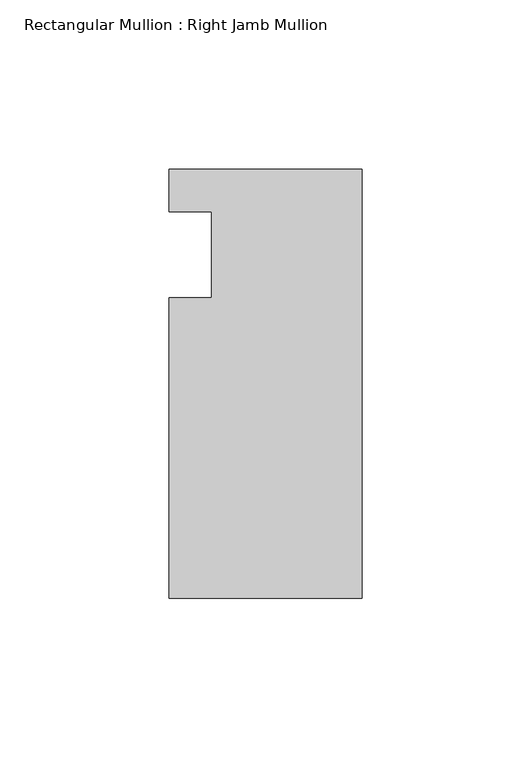
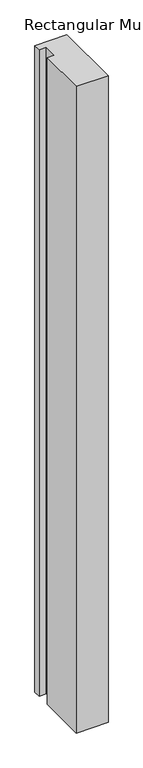
"""IFC4 building model written with IfcOpenShell, lengths in millimetres: member geometry, Rectangular Mullion : Right Jamb Mullion."""

from ifc_helpers import new_model, si_unit, frame, origin, place, context, project, spatial, polyline, outline, extrude, source, transform, mapped, element, save


def rectangular_mullion_right_jamb_mullion_d17e9708(model_context):
    return source(origin(), model_context, "Body", "SweptSolid", [
        extrude(outline(polyline([(0.0, -101.6), (-57.15, -101.6), (-57.15, -12.6374164), (-44.45, -12.6374164), (-44.45, 12.7625836), (-57.15, 12.7625836), (-57.15, 25.4), (0.0, 25.4), (0.0, -101.6)])), frame((0.0, 0.0, -1219.2), z_axis=(0.0, 0.0, 1.0), x_axis=(1.0, 0.0, 0.0)), (0.0, 0.0, 1.0), 1219.2),
    ])


if __name__ == "__main__":
    model = new_model("IFC4")
    model_context = context("Model", 3, world=origin())
    ifc_project = project(units=[si_unit("LENGTHUNIT", "METRE", prefix="MILLI")], contexts=[model_context])
    site = spatial("IfcSite", under=ifc_project)
    building = spatial("IfcBuilding", under=site)
    placement = place(None, origin())
    rectangular_mullion_right_jamb_mullion_shape = rectangular_mullion_right_jamb_mullion_d17e9708(model_context)
    element("IfcMember", 1, ObjectType="Rectangular Mullion : Right Jamb Mullion", at=placement, inside=building, context=model_context, shape_type="MappedRepresentation", body=[
        mapped(rectangular_mullion_right_jamb_mullion_shape, transform((0.0, 0.0, 0.0), x_axis=(1.0, 0.0, 0.0), y_axis=(0.0, 1.0, 0.0), z_axis=(0.0, 0.0, 1.0))),
    ])
    save(model, "model.ifc")
